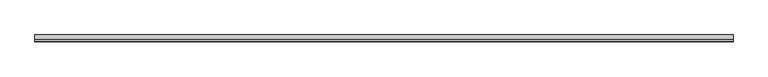
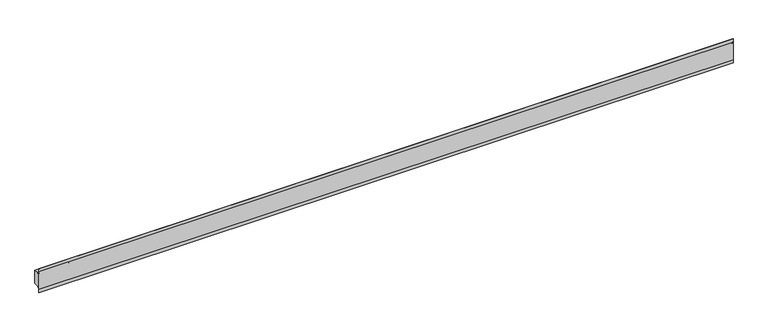
"""IFC4 building model written with IfcOpenShell, lengths in millimetres: proxy geometry."""

from ifc_helpers import new_model, si_unit, point, frame, frame_2d, origin, place, context, project, spatial, polyline, circle_curve, trimmed, segment, composite_curve, outline, extrude, source, transform, mapped, element, save
from ifc_brep_helpers import plane_surface, revolved_surface, advanced_brep


def generic_models_1c4397ff(model_context):
    return source(origin(), model_context, "Body", "SolidModel", [
        advanced_brep(
        [(1598.6385846, -10380.69409, 1515.7913574), (1598.6385846, -10380.69409, 1467.5559303), (1598.6385846, -10396.5284676, 1467.5559303), (1598.6385846, -10404.3526411, 1459.7317568), (1598.6385846, -10404.3538523, 1523.6155309), (1598.6385846, -10396.5284676, 1515.7913574), (3998.6385846, -10380.69409, 1515.7913574), (3998.6385846, -10396.5284676, 1515.7913574), (3998.6385846, -10404.3526411, 1523.6155309), (3998.6385846, -10404.3538523, 1459.7317568), (3998.6385846, -10396.5284676, 1467.5559303), (3998.6385846, -10380.69409, 1467.5559303)],
        [
            (0, 1),
            (1, 2),
            (2, 3, circle_curve(frame((1598.6385846, -10396.5284676, 1459.7317568), z_axis=(1.0, 0.0, 0.0), x_axis=(0.0, -1.0, 0.0)), 7.8241735)),
            (3, 4),
            (4, 5, circle_curve(frame((1598.6385846, -10396.5284676, 1523.6155309), z_axis=(1.0, 0.0, 0.0), x_axis=(0.0, -1.0, 0.0)), 7.8241735)),
            (5, 0),
            (6, 7),
            (7, 8, circle_curve(frame((3998.6385846, -10396.5284676, 1523.6155309), z_axis=(-1.0, 0.0, 0.0), x_axis=(0.0, -1.0, 0.0)), 7.8241735)),
            (8, 9),
            (9, 10, circle_curve(frame((3998.6385846, -10396.5284676, 1459.7317568), z_axis=(-1.0, 0.0, 0.0), x_axis=(0.0, -1.0, 0.0)), 7.8241735)),
            (10, 11),
            (11, 6),
            (0, 6),
            (11, 1),
            (3, 9),
            (8, 4),
            (5, 7),
            (10, 2),
        ],
        [
            plane_surface(frame((1598.6385846, -10354.3538523, -151.7660963), z_axis=(-1.0, 0.0, 0.0), x_axis=(0.0, 0.0, 1.0))),
            plane_surface(frame((3998.6385846, -10354.3538523, -151.7660963), z_axis=(1.0, 0.0, 0.0), x_axis=(0.0, 0.0, 1.0))),
            plane_surface(frame((1598.6385846, -10380.69409, 1515.7913574), z_axis=(0.0, 1.0, 0.0), x_axis=(1.0, 0.0, 0.0))),
            plane_surface(frame((1598.6385846, -10404.3538523, 1459.7317568), z_axis=(0.0, -1.0, 0.0), x_axis=(1.0, 0.0, 0.0))),
            plane_surface(frame((1598.6385846, -10396.5284676, 1515.7913574), z_axis=(0.0, 0.0, 1.0), x_axis=(1.0, 0.0, 0.0))),
            plane_surface(frame((1598.6385846, -10380.69409, 1467.5559303), z_axis=(0.0, 0.0, -1.0), x_axis=(1.0, 0.0, 0.0))),
            revolved_surface(polyline([(3998.6385846000003, -10404.352641099998, 1459.7317568), (1598.6385846, -10404.352641099998, 1459.7317568)]), (1598.6385846, -10396.5284676, 1459.7317568), (1.0, 0.0, 0.0)),
            revolved_surface(polyline([(3998.6385846000003, -10404.352641099998, 1523.6155309), (1598.6385846, -10404.352641099998, 1523.6155309)]), (1598.6385846, -10396.5284676, 1523.6155309), (1.0, 0.0, 0.0)),
        ],
        [
            (0, [[1, 2, 3, 4, 5, 6]]),
            (1, [[7, 8, 9, 10, 11, 12]]),
            (2, [[-1, 13, -12, 14]]),
            (3, [[-4, 15, -9, 16]]),
            (4, [[-6, 17, -7, -13]]),
            (5, [[-2, -14, -11, 18]]),
            (6, [[-3, -18, -10, -15]]),
            (7, [[-5, -16, -8, -17]]),
        ],
    ),
        extrude(outline(composite_curve([segment(polyline([(-10404.3538523, 1523.7532057), (-10404.3538523, 1535.4815213), (-10403.3538523, 1535.4815213), (-10403.3538523, 1523.7532057)]), True, "CONTINUOUS"), segment(trimmed(circle_curve(frame_2d((-10396.5284676, 1523.7532057)), 6.8253847), [point((-10403.3538523, 1523.7532057))], [point((-10396.5284676, 1516.927821))], True, "CARTESIAN"), True, "CONTINUOUS"), segment(polyline([(-10396.5284676, 1516.927821), (-10396.5284676, 1515.927821)]), True, "CONTINUOUS"), segment(trimmed(circle_curve(frame_2d((-10396.5284676, 1523.7532057)), 7.8253847), [point((-10396.5284676, 1515.927821))], [point((-10404.3538523, 1523.7532057))], False, "CARTESIAN"), True, "CONTINUOUS")], self_intersect=False)), frame((1598.6385846, 0.0, 0.0), z_axis=(1.0, 0.0, 0.0), x_axis=(0.0, 1.0, 0.0)), (0.0, 0.0, 1.0), 2400.0),
        extrude(outline(composite_curve([segment(trimmed(circle_curve(frame_2d((-10396.5284676, 1459.8670295)), 7.8253847), [point((-10404.3538523, 1459.8670295))], [point((-10396.5284676, 1467.6924142))], False, "CARTESIAN"), True, "CONTINUOUS"), segment(polyline([(-10396.5284676, 1467.6924142), (-10396.5284676, 1466.6924142)]), True, "CONTINUOUS"), segment(trimmed(circle_curve(frame_2d((-10396.5284676, 1459.8670295)), 6.8253847), [point((-10396.5284676, 1466.6924142))], [point((-10403.3538523, 1459.8670295))], True, "CARTESIAN"), True, "CONTINUOUS"), segment(polyline([(-10403.3538523, 1459.8670295), (-10403.3538523, 1448.138714), (-10404.3538523, 1448.138714), (-10404.3538523, 1459.8670295)]), True, "CONTINUOUS")], self_intersect=False)), frame((1598.6385846, 0.0, 0.0), z_axis=(1.0, 0.0, 0.0), x_axis=(0.0, 1.0, 0.0)), (0.0, 0.0, 1.0), 2400.0),
    ])


if __name__ == "__main__":
    model = new_model("IFC4")
    model_context = context("Model", 3, world=origin())
    ifc_project = project(units=[si_unit("LENGTHUNIT", "METRE", prefix="MILLI")], contexts=[model_context])
    site = spatial("IfcSite", under=ifc_project)
    building = spatial("IfcBuilding", under=site)
    placement = place(None, origin())
    generic_models_shape = generic_models_1c4397ff(model_context)
    element("IfcBuildingElementProxy", 1, Name="Generic Models", at=placement, inside=building, context=model_context, shape_type="MappedRepresentation", body=[
        mapped(generic_models_shape, transform((0.0, 0.0, 0.0), x_axis=(1.0, 0.0, 0.0), y_axis=(0.0, 1.0, 0.0), z_axis=(0.0, 0.0, 1.0))),
    ])
    save(model, "model.ifc")
